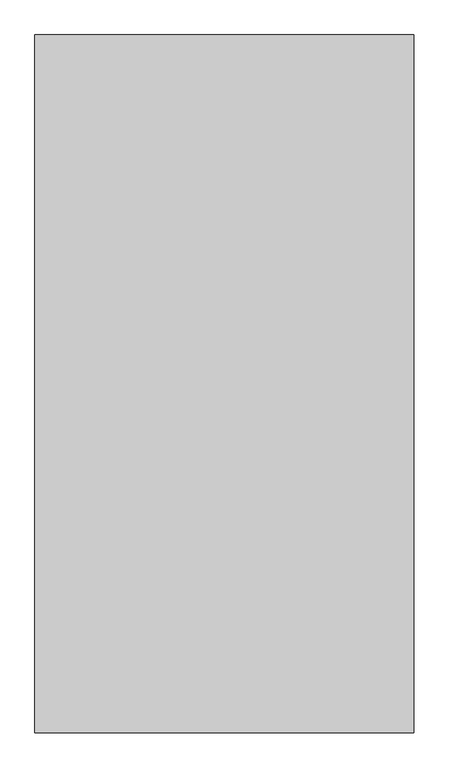
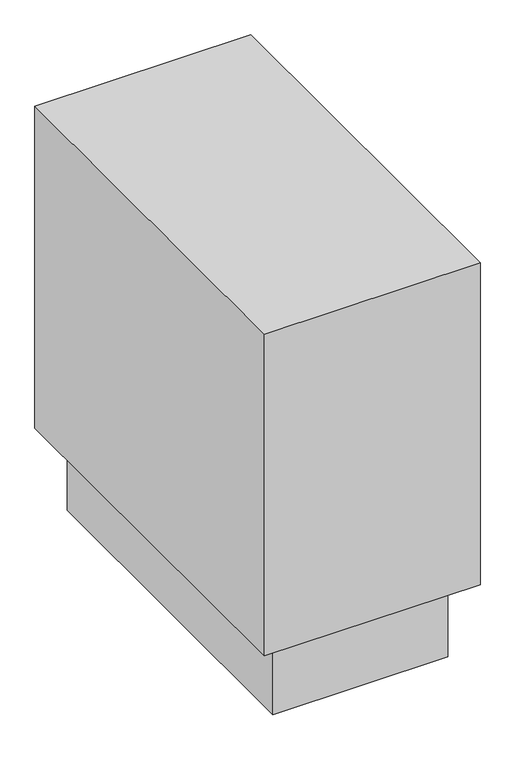
"""IFC4 building model written with IfcOpenShell, lengths in millimetres: proxy geometry."""

from ifc_helpers import new_model, si_unit, frame, origin, origin_with_axes, place, context, project, spatial, polyline, outline, extrude, source, transform, mapped, element, save


def mechanical_equipment_a4d8c3b9(model_context):
    return source(origin(), model_context, "Body", "SweptSolid", [
        extrude(outline(polyline([(327.1738281, 666.75), (327.1738281, -666.75), (-327.1738281, -666.75), (-327.1738281, 666.75), (327.1738281, 666.75)])), origin_with_axes(), (0.0, 0.0, 1.0), 304.8),
        extrude(outline(polyline([(403.3738281, 742.95), (403.3738281, -742.95), (-403.3738281, -742.95), (-403.3738281, 742.95), (403.3738281, 742.95)])), frame((0.0, 0.0, 304.8), z_axis=(0.0, 0.0, 1.0), x_axis=(1.0, 0.0, 0.0)), (0.0, 0.0, 1.0), 1271.984375),
    ])


if __name__ == "__main__":
    model = new_model("IFC4")
    model_context = context("Model", 3, world=origin())
    ifc_project = project(units=[si_unit("LENGTHUNIT", "METRE", prefix="MILLI")], contexts=[model_context])
    site = spatial("IfcSite", under=ifc_project)
    building = spatial("IfcBuilding", under=site)
    placement = place(None, origin())
    mechanical_equipment_shape = mechanical_equipment_a4d8c3b9(model_context)
    element("IfcBuildingElementProxy", 1, Name="Mechanical Equipment", at=placement, inside=building, context=model_context, shape_type="MappedRepresentation", body=[
        mapped(mechanical_equipment_shape, transform((0.0, 0.0, 0.0), x_axis=(1.0, 0.0, 0.0), y_axis=(0.0, 1.0, 0.0), z_axis=(0.0, 0.0, 1.0))),
    ])
    save(model, "model.ifc")
